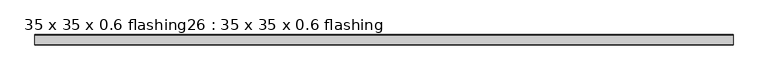
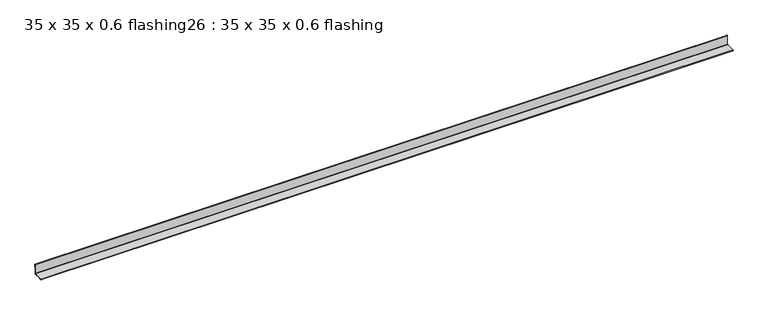
"""IFC4 building model written with IfcOpenShell, lengths in millimetres: proxy geometry, 35 x 35 x 0.6 flashing26 : 35 x 35 x 0.6 flashing."""

from ifc_helpers import new_model, si_unit, point, frame, frame_2d, origin, place, context, project, spatial, polyline, circle_curve, trimmed, segment, composite_curve, outline, extrude, source, transform, mapped, element, save


def proxy_35_x_35_x_0_6_flashing26_35_x_35_x_0_6_flashing_f76d1964(model_context):
    return source(origin(), model_context, "Body", "SweptSolid", [
        extrude(outline(composite_curve([segment(polyline([(-10430.3538523, 1427.388714), (-10430.3538523, 1426.388714), (-10439.3556364, 1426.388714)]), True, "CONTINUOUS"), segment(trimmed(circle_curve(frame_2d((-10439.3556364, 1427.388714)), 1.0), [point((-10439.3556364, 1426.388714))], [point((-10439.3556364, 1428.388714))], False, "CARTESIAN"), True, "CONTINUOUS"), segment(polyline([(-10439.3556364, 1428.388714), (-10407.8538523, 1428.388714)]), True, "CONTINUOUS"), segment(trimmed(circle_curve(frame_2d((-10407.8538523, 1429.888714)), 1.5), [point((-10407.8538523, 1428.388714))], [point((-10406.3538523, 1429.888714))], True, "CARTESIAN"), True, "CONTINUOUS"), segment(polyline([(-10406.3538523, 1429.888714), (-10406.3538524, 1461.4213914)]), True, "CONTINUOUS"), segment(trimmed(circle_curve(frame_2d((-10405.3538524, 1461.4213914)), 1.0), [point((-10406.3538524, 1461.4213914))], [point((-10404.3538524, 1461.4213914))], False, "CARTESIAN"), True, "CONTINUOUS"), segment(polyline([(-10404.3538524, 1461.4213914), (-10404.3538524, 1452.388714), (-10405.3538524, 1452.388714), (-10405.3538523, 1429.888714)]), True, "CONTINUOUS"), segment(trimmed(circle_curve(frame_2d((-10407.8538523, 1429.888714)), 2.5), [point((-10405.3538523, 1429.888714))], [point((-10407.8538523, 1427.388714))], False, "CARTESIAN"), True, "CONTINUOUS"), segment(polyline([(-10407.8538523, 1427.388714), (-10430.3538523, 1427.388714)]), True, "CONTINUOUS")], self_intersect=False)), frame((-10619.6640929, 0.0, 0.0), z_axis=(1.0, 0.0, 0.0), x_axis=(0.0, 1.0, 0.0)), (0.0, 0.0, 1.0), 2410.6438934),
    ])


if __name__ == "__main__":
    model = new_model("IFC4")
    model_context = context("Model", 3, world=origin())
    ifc_project = project(units=[si_unit("LENGTHUNIT", "METRE", prefix="MILLI")], contexts=[model_context])
    site = spatial("IfcSite", under=ifc_project)
    building = spatial("IfcBuilding", under=site)
    placement = place(None, origin())
    proxy_35_x_35_x_0_6_flashing26_35_x_35_x_0_6_flashing_shape = proxy_35_x_35_x_0_6_flashing26_35_x_35_x_0_6_flashing_f76d1964(model_context)
    element("IfcBuildingElementProxy", 1, Name="35 x 35 x 0.6 flashing26 : 35 x 35 x 0.6 flashing", ObjectType="35 x 35 x 0.6 flashing26 : 35 x 35 x 0.6 flashing", at=placement, inside=building, context=model_context, shape_type="MappedRepresentation", body=[
        mapped(proxy_35_x_35_x_0_6_flashing26_35_x_35_x_0_6_flashing_shape, transform((0.0, 0.0, 0.0), x_axis=(1.0, 0.0, 0.0), y_axis=(0.0, 1.0, 0.0), z_axis=(0.0, 0.0, 1.0))),
    ])
    save(model, "model.ifc")
